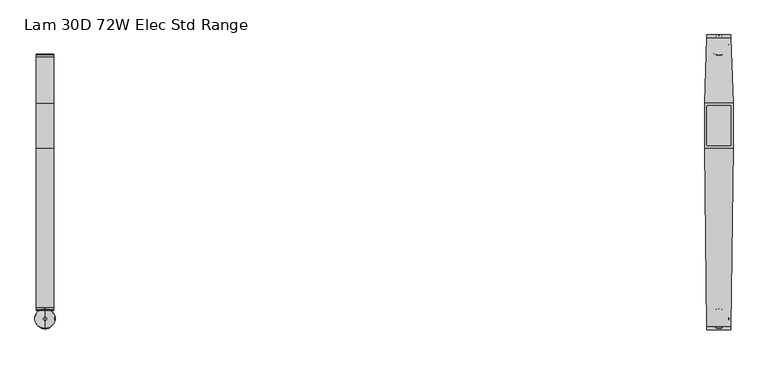
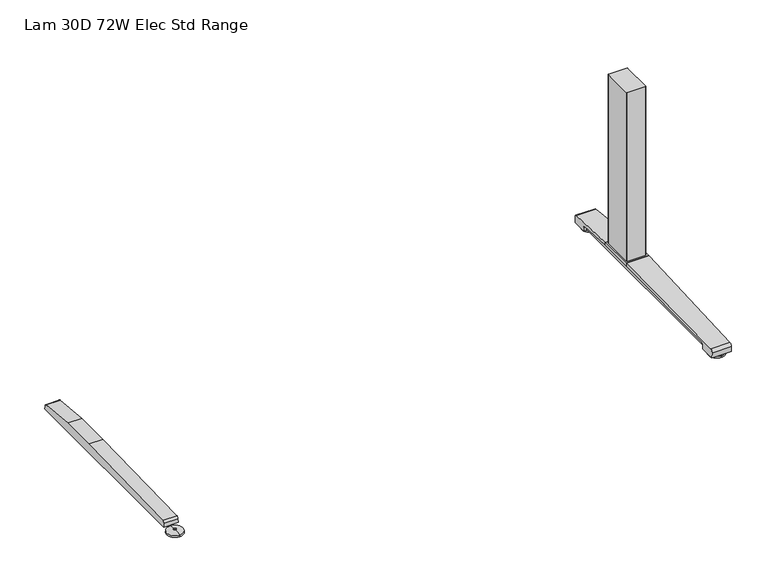
"""IFC4 building model written with IfcOpenShell, lengths in millimetres: furniture geometry, Lam 30D 72W Elec Std Range."""

from ifc_helpers import new_model, si_unit, point, frame, frame_2d, origin, place, context, project, spatial, polyline, circle_curve, ellipse_curve, trimmed, segment, composite_curve, outline, extrude, source, transform, mapped, element, save
from ifc_brep_helpers import plane_surface, cylinder_surface, revolved_surface, advanced_brep


def lam_30d_72w_elec_std_range_380b1c24(model_context):
    return source(origin(), model_context, "Body", "SolidModel", [
        advanced_brep(
        [(-836.676, -364.1643617, 0.0), (-836.676, -313.9743384, 0.0), (-836.676, -339.06935, 0.0), (-836.676, -364.0796512, 5.0038001), (-836.676, -314.0590489, 5.0038001), (-836.676, -343.0698499, 8.4327997), (-836.676, -335.0688501, 8.4327997), (-836.676, -343.0698499, 10.0423733), (-836.676, -335.0688501, 10.0423733), (-836.676, -339.06935, 10.0423733)],
        [
            (0, 1, circle_curve(frame((-836.676, -339.06935, 0.0), z_axis=(0.0, 0.0, -1.0), x_axis=(0.0, 1.0, 0.0)), 25.0950117)),
            (1, 2),
            (2, 0),
            (1, 0, circle_curve(frame((-836.676, -339.06935, 0.0), z_axis=(0.0, 0.0, -1.0), x_axis=(0.0, 1.0, 0.0)), 25.0950117)),
            (3, 4, circle_curve(frame((-836.676, -339.06935, 5.0038001), z_axis=(0.0, 0.0, -1.0), x_axis=(0.0, 1.0, 0.0)), 25.0103012)),
            (4, 1),
            (0, 3),
            (4, 3, circle_curve(frame((-836.676, -339.06935, 5.0038001), z_axis=(0.0, 0.0, -1.0), x_axis=(0.0, 1.0, 0.0)), 25.0103012)),
            (5, 6, circle_curve(frame((-836.676, -339.06935, 8.4327997), z_axis=(0.0, 0.0, -1.0), x_axis=(0.0, 1.0, 0.0)), 4.0004999)),
            (6, 4, circle_curve(frame((-836.676, -335.0368668, -57.4502444), z_axis=(-1.0, 0.0, 0.0), x_axis=(0.0, 1.0, 0.0)), 65.8830518)),
            (3, 5, circle_curve(frame((-836.676, -343.1018333, -57.4502444), z_axis=(-1.0, 0.0, 0.0), x_axis=(0.0, -1.0, 0.0)), 65.8830518)),
            (6, 5, circle_curve(frame((-836.676, -339.06935, 8.4327997), z_axis=(0.0, 0.0, -1.0), x_axis=(0.0, 1.0, 0.0)), 4.0004999)),
            (7, 8, circle_curve(frame((-836.676, -339.06935, 10.0423733), z_axis=(0.0, 0.0, -1.0), x_axis=(0.0, 1.0, 0.0)), 4.0004999)),
            (8, 6),
            (5, 7),
            (8, 7, circle_curve(frame((-836.676, -339.06935, 10.0423733), z_axis=(0.0, 0.0, -1.0), x_axis=(0.0, 1.0, 0.0)), 4.0004999)),
            (9, 8),
            (7, 9),
        ],
        [
            plane_surface(frame((-836.676, -339.06935, 0.0), z_axis=(0.0, 0.0, -1.0), x_axis=(0.0, 1.0, 0.0))),
            revolved_surface(polyline([(-836.676, -313.9743384, 0.0), (-836.676, -314.0590489, 5.0038001)]), (-836.676, -339.06935, 0.0), (0.0, 0.0, 1.0)),
            revolved_surface(trimmed(ellipse_curve(frame((-836.676, -335.0368668, -57.4502444), z_axis=(1.0, 0.0, 0.0), x_axis=(0.0, 1.0, 0.0)), 65.8830518, 65.8830518), [point((-836.676, -314.0590489, 5.0038001))], [point((-836.676, -335.0688501, 8.4327997))], True, "CARTESIAN"), (-836.676, -339.06935, 0.0), (0.0, 0.0, 1.0)),
            cylinder_surface(frame((-836.676, -339.06935, 0.0), z_axis=(0.0, 0.0, 1.0), x_axis=(0.0, 1.0, 0.0)), 4.0004999),
            plane_surface(frame((-836.676, -339.06935, 10.0423733), z_axis=(0.0, 0.0, 1.0), x_axis=(0.0, 1.0, 0.0))),
        ],
        [
            (0, [[1, 2, 3]]),
            (0, [[4, -3, -2]]),
            (1, [[5, 6, -1, 7]]),
            (1, [[8, -7, -4, -6]]),
            (2, [[9, 10, -5, 11]]),
            (2, [[12, -11, -8, -10]]),
            (3, [[13, 14, -9, 15]]),
            (3, [[16, -15, -12, -14]]),
            (4, [[17, -13, 18]]),
            (4, [[-18, -16, -17]]),
        ],
    ),
        extrude(outline(composite_curve([segment(polyline([(317.3152602, 22.833301), (318.3038309, 11.5339019), (-318.3038309, 11.5339019), (-317.3152602, 22.833301)]), True, "CONTINUOUS"), segment(trimmed(circle_curve(frame_2d((-310.4929906, 22.2364289)), 6.8483297), [point((-317.3152602, 22.833301))], [point((-311.3603185, 29.0296138))], False, "CARTESIAN"), True, "CONTINUOUS"), segment(polyline([(-311.3603185, 29.0296138), (84.6231873, 38.9541198), (196.8596127, 38.9541198), (311.3603185, 29.0296138)]), True, "CONTINUOUS"), segment(trimmed(circle_curve(frame_2d((310.4929906, 22.2364289)), 6.8483297), [point((311.3603185, 29.0296138))], [point((317.3152602, 22.833301))], False, "CARTESIAN"), True, "CONTINUOUS")], self_intersect=False)), frame((-858.6724, 0.0, 0.0), z_axis=(1.0, 0.0, 0.0), x_axis=(0.0, 1.0, 0.0)), (0.0, 0.0, 1.0), 43.9928),
        extrude(outline(composite_curve([segment(trimmed(circle_curve(frame_2d((864.2521079, 188.3835079)), 2.3323921), [point((864.2521079, 190.7159))], [point((866.5845, 188.3835079))], False, "CARTESIAN"), True, "CONTINUOUS"), segment(polyline([(866.5845, 188.3835079), (866.5845, 93.0992921)]), True, "CONTINUOUS"), segment(trimmed(circle_curve(frame_2d((864.2521079, 93.0992921)), 2.3323921), [point((866.5845, 93.0992921))], [point((864.2521079, 90.7669))], False, "CARTESIAN"), True, "CONTINUOUS"), segment(polyline([(864.2521079, 90.7669), (809.0998921, 90.7669)]), True, "CONTINUOUS"), segment(trimmed(circle_curve(frame_2d((809.0998921, 93.0992921)), 2.3323921), [point((809.0998921, 90.7669))], [point((806.7675, 93.0992921))], False, "CARTESIAN"), True, "CONTINUOUS"), segment(polyline([(806.7675, 93.0992921), (806.7675, 188.3835079)]), True, "CONTINUOUS"), segment(trimmed(circle_curve(frame_2d((809.0998921, 188.3835079)), 2.3323921), [point((806.7675, 188.3835079))], [point((809.0998921, 190.7159))], False, "CARTESIAN"), True, "CONTINUOUS"), segment(polyline([(809.0998921, 190.7159), (864.2521079, 190.7159)]), True, "CONTINUOUS")], self_intersect=False)), frame((0.0, 0.0, 48.10013), z_axis=(0.0, 0.0, 1.0), x_axis=(1.0, 0.0, 0.0)), (0.0, 0.0, 1.0), 550.9989485),
        advanced_brep(
        [(836.676, 314.8489737, 0.0), (836.676, 365.038997, 0.0), (836.676, 339.9439854, 0.0), (836.676, 314.9336842, 5.0038001), (836.676, 364.9542866, 5.0038001), (836.676, 335.9434855, 8.4327997), (836.676, 343.9444853, 8.4327997), (836.676, 335.9434855, 10.0423733), (836.676, 343.9444853, 10.0423733), (836.676, 339.9439854, 10.0423733)],
        [
            (0, 1, circle_curve(frame((836.676, 339.9439854, 0.0), z_axis=(0.0, 0.0, -1.0), x_axis=(0.0, 1.0, 0.0)), 25.0950117)),
            (1, 2),
            (2, 0),
            (1, 0, circle_curve(frame((836.676, 339.9439854, 0.0), z_axis=(0.0, 0.0, -1.0), x_axis=(0.0, 1.0, 0.0)), 25.0950117)),
            (3, 4, circle_curve(frame((836.676, 339.9439854, 5.0038001), z_axis=(0.0, 0.0, -1.0), x_axis=(0.0, 1.0, 0.0)), 25.0103012)),
            (4, 1),
            (0, 3),
            (4, 3, circle_curve(frame((836.676, 339.9439854, 5.0038001), z_axis=(0.0, 0.0, -1.0), x_axis=(0.0, 1.0, 0.0)), 25.0103012)),
            (5, 6, circle_curve(frame((836.676, 339.9439854, 8.4327997), z_axis=(0.0, 0.0, -1.0), x_axis=(0.0, 1.0, 0.0)), 4.0004999)),
            (6, 4, circle_curve(frame((836.676, 343.9764687, -57.4502444), z_axis=(-1.0, 0.0, 0.0), x_axis=(0.0, 1.0, 0.0)), 65.8830518)),
            (3, 5, circle_curve(frame((836.676, 335.9115021, -57.4502444), z_axis=(-1.0, 0.0, 0.0), x_axis=(0.0, -1.0, 0.0)), 65.8830518)),
            (6, 5, circle_curve(frame((836.676, 339.9439854, 8.4327997), z_axis=(0.0, 0.0, -1.0), x_axis=(0.0, 1.0, 0.0)), 4.0004999)),
            (7, 8, circle_curve(frame((836.676, 339.9439854, 10.0423733), z_axis=(0.0, 0.0, -1.0), x_axis=(0.0, 1.0, 0.0)), 4.0004999)),
            (8, 6),
            (5, 7),
            (8, 7, circle_curve(frame((836.676, 339.9439854, 10.0423733), z_axis=(0.0, 0.0, -1.0), x_axis=(0.0, 1.0, 0.0)), 4.0004999)),
            (9, 8),
            (7, 9),
        ],
        [
            plane_surface(frame((836.676, 339.9439854, 0.0), z_axis=(0.0, 0.0, -1.0), x_axis=(0.0, 1.0, 0.0))),
            revolved_surface(polyline([(836.676, 365.038997, 0.0), (836.676, 364.9542866, 5.0038001)]), (836.676, 339.9439854, 0.0), (0.0, 0.0, 1.0)),
            revolved_surface(trimmed(ellipse_curve(frame((836.676, 343.9764687, -57.4502444), z_axis=(1.0, 0.0, 0.0), x_axis=(0.0, 1.0, 0.0)), 65.8830518, 65.8830518), [point((836.676, 364.9542866, 5.0038001))], [point((836.676, 343.9444853, 8.4327997))], True, "CARTESIAN"), (836.676, 339.9439854, 0.0), (0.0, 0.0, 1.0)),
            cylinder_surface(frame((836.676, 339.9439854, 0.0), z_axis=(0.0, 0.0, 1.0), x_axis=(0.0, 1.0, 0.0)), 4.0004999),
            plane_surface(frame((836.676, 339.9439854, 10.0423733), z_axis=(0.0, 0.0, 1.0), x_axis=(0.0, 1.0, 0.0))),
        ],
        [
            (0, [[1, 2, 3]]),
            (0, [[4, -3, -2]]),
            (1, [[5, 6, -1, 7]]),
            (1, [[8, -7, -4, -6]]),
            (2, [[9, 10, -5, 11]]),
            (2, [[12, -11, -8, -10]]),
            (3, [[13, 14, -9, 15]]),
            (3, [[16, -15, -12, -14]]),
            (4, [[17, -13, 18]]),
            (4, [[-18, -16, -17]]),
        ],
    ),
        advanced_brep(
        [(836.676, -364.1643617, 0.0), (836.676, -313.9743384, 0.0), (836.676, -339.06935, 0.0), (836.676, -364.0796512, 5.0038001), (836.676, -314.0590489, 5.0038001), (836.676, -343.0698499, 8.4327997), (836.676, -335.0688501, 8.4327997), (836.676, -343.0698499, 10.0423733), (836.676, -335.0688501, 10.0423733), (836.676, -339.06935, 10.0423733)],
        [
            (0, 1, circle_curve(frame((836.676, -339.06935, 0.0), z_axis=(0.0, 0.0, -1.0), x_axis=(0.0, 1.0, 0.0)), 25.0950117)),
            (1, 2),
            (2, 0),
            (1, 0, circle_curve(frame((836.676, -339.06935, 0.0), z_axis=(0.0, 0.0, -1.0), x_axis=(0.0, 1.0, 0.0)), 25.0950117)),
            (3, 4, circle_curve(frame((836.676, -339.06935, 5.0038001), z_axis=(0.0, 0.0, -1.0), x_axis=(0.0, 1.0, 0.0)), 25.0103012)),
            (4, 1),
            (0, 3),
            (4, 3, circle_curve(frame((836.676, -339.06935, 5.0038001), z_axis=(0.0, 0.0, -1.0), x_axis=(0.0, 1.0, 0.0)), 25.0103012)),
            (5, 6, circle_curve(frame((836.676, -339.06935, 8.4327997), z_axis=(0.0, 0.0, -1.0), x_axis=(0.0, 1.0, 0.0)), 4.0004999)),
            (6, 4, circle_curve(frame((836.676, -335.0368668, -57.4502444), z_axis=(-1.0, 0.0, 0.0), x_axis=(0.0, 1.0, 0.0)), 65.8830518)),
            (3, 5, circle_curve(frame((836.676, -343.1018333, -57.4502444), z_axis=(-1.0, 0.0, 0.0), x_axis=(0.0, -1.0, 0.0)), 65.8830518)),
            (6, 5, circle_curve(frame((836.676, -339.06935, 8.4327997), z_axis=(0.0, 0.0, -1.0), x_axis=(0.0, 1.0, 0.0)), 4.0004999)),
            (7, 8, circle_curve(frame((836.676, -339.06935, 10.0423733), z_axis=(0.0, 0.0, -1.0), x_axis=(0.0, 1.0, 0.0)), 4.0004999)),
            (8, 6),
            (5, 7),
            (8, 7, circle_curve(frame((836.676, -339.06935, 10.0423733), z_axis=(0.0, 0.0, -1.0), x_axis=(0.0, 1.0, 0.0)), 4.0004999)),
            (9, 8),
            (7, 9),
        ],
        [
            plane_surface(frame((836.676, -339.06935, 0.0), z_axis=(0.0, 0.0, -1.0), x_axis=(0.0, 1.0, 0.0))),
            revolved_surface(polyline([(836.676, -313.9743384, 0.0), (836.676, -314.0590489, 5.0038001)]), (836.676, -339.06935, 0.0), (0.0, 0.0, 1.0)),
            revolved_surface(trimmed(ellipse_curve(frame((836.676, -335.0368668, -57.4502444), z_axis=(1.0, 0.0, 0.0), x_axis=(0.0, 1.0, 0.0)), 65.8830518, 65.8830518), [point((836.676, -314.0590489, 5.0038001))], [point((836.676, -335.0688501, 8.4327997))], True, "CARTESIAN"), (836.676, -339.06935, 0.0), (0.0, 0.0, 1.0)),
            cylinder_surface(frame((836.676, -339.06935, 0.0), z_axis=(0.0, 0.0, 1.0), x_axis=(0.0, 1.0, 0.0)), 4.0004999),
            plane_surface(frame((836.676, -339.06935, 10.0423733), z_axis=(0.0, 0.0, 1.0), x_axis=(0.0, 1.0, 0.0))),
        ],
        [
            (0, [[1, 2, 3]]),
            (0, [[4, -3, -2]]),
            (1, [[5, 6, -1, 7]]),
            (1, [[8, -7, -4, -6]]),
            (2, [[9, 10, -5, 11]]),
            (2, [[12, -11, -8, -10]]),
            (3, [[13, 14, -9, 15]]),
            (3, [[16, -15, -12, -14]]),
            (4, [[17, -13, 18]]),
            (4, [[-18, -16, -17]]),
        ],
    ),
        extrude(outline(polyline([(871.8068382, 196.8596127), (871.8068382, 84.6231873), (801.5451618, 84.6231873), (801.5451618, 196.8596127), (871.8068382, 196.8596127)])), frame((0.0, 0.0, 38.9541198), z_axis=(0.0, 0.0, 1.0), x_axis=(1.0, 0.0, 0.0)), (0.0, 0.0, 1.0), 9.1460102),
        advanced_brep(
        [(866.3735496, 366.395, 26.8186), (866.613509, 358.907527, 35.7787117), (871.8068382, 196.8596127, 48.10013), (871.8068382, 196.8596127, 38.9541198), (868.1373071, 311.3603185, 29.0296138), (867.9464625, 317.3152602, 22.833301), (867.9106016, 318.4342309, 10.0434261), (866.4198676, 364.9497362, 10.041053), (806.738849, 358.907527, 35.7787117), (806.9788083, 366.395, 26.8186), (806.9324903, 364.9497362, 10.041053), (805.4417563, 318.4342309, 10.0434261), (805.4058954, 317.3152602, 22.833301), (805.2150508, 311.3603185, 29.0296138), (801.5455193, 196.8596013, 38.9541208), (801.5455197, 196.8596127, 48.10013)],
        [
            (0, 1, ellipse_curve(frame((866.6380766, 358.1409412, 27.5296273), z_axis=(0.9994868545941118, 0.03203166392132806, 0.0), x_axis=(0.032031663921324206, -0.9994868545941118, 0.0)), 8.2888806, 8.2846272)),
            (1, 2, ellipse_curve(frame((921.7365776, -1361.1024809, -21513.5555312), z_axis=(0.9994868545941118, 0.03203166392132806, 0.0), x_axis=(0.032031663921324206, -0.9994868545941118, 0.0)), 21628.9673574, 21617.8685521)),
            (2, 3),
            (3, 4),
            (4, 5, ellipse_curve(frame((868.1651033, 310.4929906, 22.2364289), z_axis=(-0.9994868545941118, -0.03203166392132806, 0.0), x_axis=(-0.032031663921324206, 0.9994868545941118, 0.0)), 6.8518456, 6.8483297)),
            (5, 6),
            (6, 7),
            (7, 0),
            (8, 9, ellipse_curve(frame((806.7142813, 358.1409412, 27.5296273), z_axis=(-0.9994868545941165, 0.03203166392118384, 0.0), x_axis=(0.032031663921180474, 0.9994868545941163, 0.0)), 8.2888806, 8.2846272)),
            (9, 10),
            (10, 11),
            (11, 12),
            (12, 13, ellipse_curve(frame((805.1872546, 310.4929906, 22.2364289), z_axis=(0.9994868545941165, -0.03203166392118384, 0.0), x_axis=(-0.032031663921180474, -0.9994868545941163, 0.0)), 6.8518456, 6.8483297)),
            (13, 14),
            (14, 15),
            (15, 8, ellipse_curve(frame((751.6157803, -1361.1024809, -21513.5555312), z_axis=(-0.9994868545941165, 0.03203166392118384, 0.0), x_axis=(0.032031663921180474, 0.9994868545941163, 0.0)), 21628.9673574, 21617.8685521)),
            (0, 9),
            (8, 1),
            (7, 10),
            (6, 11),
            (5, 12),
            (4, 13),
            (3, 14),
            (2, 15),
        ],
        [
            plane_surface(frame((866.3226732, 367.9825, 48.10013), z_axis=(0.9994868545941118, 0.03203166392132806, 0.0), x_axis=(0.0, 0.0, -1.0))),
            plane_surface(frame((801.5455197, 196.8596127, 48.10013), z_axis=(-0.9994868545941165, 0.03203166392118384, 0.0), x_axis=(0.0, 0.0, -1.0))),
            cylinder_surface(frame((801.5451618, 358.1409412, 27.5296273), z_axis=(1.0, 0.0, 0.0), x_axis=(0.0, 1.0, 0.0)), 8.2846272),
            plane_surface(frame((871.8068382, 364.9497362, 10.041053), z_axis=(0.0, 0.9963102368703288, -0.08582489095471861), x_axis=(-1.0, 0.0, 0.0))),
            plane_surface(frame((871.8068382, 318.4342309, 10.0434261), z_axis=(0.0, -5.1017984192696555e-05, -0.9999999986985827), x_axis=(-1.0, 0.0, 0.0))),
            plane_surface(frame((871.8068382, 317.3152602, 22.833301), z_axis=(0.0, -0.9961946873837872, -0.0871558651400954), x_axis=(-1.0, 0.0, 0.0))),
            revolved_surface(polyline([(804.9677785845009, 317.3413203, 22.2364289), (868.3845793155001, 317.3413203, 22.2364289)]), (801.5451618, 310.4929906, 22.2364289), (-1.0, 0.0, 0.0)),
            plane_surface(frame((871.8068382, 196.8596127, 38.9541198), z_axis=(0.0, -0.08635260649839666, -0.9962646372078722), x_axis=(-1.0, 0.0, 0.0))),
            plane_surface(frame((871.8068382, 196.8596127, 48.10013), z_axis=(0.0, -1.0, 0.0), x_axis=(-1.0, 0.0, 0.0))),
            cylinder_surface(frame((801.5451618, -1361.1024809, -21513.5555312), z_axis=(1.0, 0.0, 0.0), x_axis=(0.0, 1.0, 0.0)), 21617.8685521),
        ],
        [
            (0, [[1, 2, 3, 4, 5, 6, 7, 8]]),
            (1, [[9, 10, 11, 12, 13, 14, 15, 16]]),
            (2, [[17, -9, 18, -1]]),
            (3, [[-17, -8, 19, -10]]),
            (4, [[-19, -7, 20, -11]]),
            (5, [[-20, -6, 21, -12]]),
            (6, [[-21, -5, 22, -13]]),
            (7, [[23, -14, -22, -4]]),
            (8, [[-23, -3, 24, -15]]),
            (9, [[-24, -2, -18, -16]]),
        ],
    ),
        extrude(outline(composite_curve([segment(polyline([(317.3152602, 22.833301), (318.3038309, 11.5339019), (-318.3038309, 11.5339019), (-317.3152602, 22.833301)]), True, "CONTINUOUS"), segment(trimmed(circle_curve(frame_2d((-310.4929906, 22.2364289)), 6.8483297), [point((-317.3152602, 22.833301))], [point((-311.3603185, 29.0296138))], False, "CARTESIAN"), True, "CONTINUOUS"), segment(polyline([(-311.3603185, 29.0296138), (84.6231873, 38.9541198), (196.8596127, 38.9541198), (311.3603185, 29.0296138)]), True, "CONTINUOUS"), segment(trimmed(circle_curve(frame_2d((310.4929906, 22.2364289)), 6.8483297), [point((311.3603185, 29.0296138))], [point((317.3152602, 22.833301))], False, "CARTESIAN"), True, "CONTINUOUS")], self_intersect=False)), frame((814.6796, 0.0, 0.0), z_axis=(1.0, 0.0, 0.0), x_axis=(0.0, 1.0, 0.0)), (0.0, 0.0, 1.0), 43.9928),
        advanced_brep(
        [(866.4326335, -358.907527, 35.7787117), (806.9197244, -358.907527, 35.7787117), (807.0104491, -366.395, 26.8186), (866.3419088, -366.395, 26.8186), (806.9929371, -364.9497362, 10.041053), (866.3594208, -364.9497362, 10.041053), (806.4293147, -318.4342309, 10.0434261), (866.9230432, -318.4342309, 10.0434261), (806.4157562, -317.3152602, 22.833301), (866.9366017, -317.3152602, 22.833301), (806.343601, -311.3603185, 29.0296138), (867.0087569, -311.3603185, 29.0296138), (801.5451618, 84.6231873, 38.9541198), (871.8068382, 84.6231873, 38.9541198), (801.5455197, 84.6231873, 48.10013), (871.8068382, 84.6231873, 48.10013)],
        [
            (0, 1),
            (1, 2, ellipse_curve(frame((806.9104358, -358.1409412, 27.5296273), z_axis=(0.9999265987939379, 0.012115982188308264, 0.0), x_axis=(0.01211598218829372, -0.9999265987939379, 0.0)), 8.2852353, 8.2846272)),
            (2, 3),
            (3, 0, ellipse_curve(frame((866.4419221, -358.1409412, 27.5296273), z_axis=(-0.999926598793938, 0.01211598218829279, 0.0), x_axis=(0.012115982188294067, 0.9999265987939379, 0.0)), 8.2852353, 8.2846272)),
            (2, 4),
            (4, 5),
            (5, 3),
            (4, 6),
            (6, 7),
            (7, 5),
            (6, 8),
            (8, 9),
            (9, 7),
            (8, 10, ellipse_curve(frame((806.3330917, -310.4929906, 22.2364289), z_axis=(-0.9999265987939379, -0.012115982188308264, 0.0), x_axis=(-0.01211598218829372, 0.9999265987939379, 0.0)), 6.8488324, 6.8483297)),
            (10, 11),
            (11, 9, ellipse_curve(frame((867.0192662, -310.4929906, 22.2364289), z_axis=(0.999926598793938, -0.01211598218829279, 0.0), x_axis=(-0.012115982188294067, -0.9999265987939379, 0.0)), 6.8488324, 6.8483297)),
            (12, 13),
            (13, 11),
            (10, 12),
            (12, 14),
            (14, 15),
            (15, 13),
            (15, 0, ellipse_curve(frame((887.2737739, 1361.1024809, -53889.962004), z_axis=(0.999926598793938, -0.01211598218829279, 0.0), x_axis=(0.012115982188294067, 0.9999265987939379, 0.0)), 53957.1248938, 53953.1643758)),
            (1, 14, ellipse_curve(frame((786.078584, 1361.1024809, -53889.962004), z_axis=(-0.9999265987939379, -0.012115982188308264, 0.0), x_axis=(0.01211598218829372, -0.9999265987939379, 0.0)), 53957.1248938, 53953.1643758)),
        ],
        [
            cylinder_surface(frame((801.5451618, -358.1409412, 27.5296273), z_axis=(1.0, 0.0, 0.0), x_axis=(0.0, 1.0, 0.0)), 8.2846272),
            plane_surface(frame((871.8068382, -366.395, 26.8186), z_axis=(0.0, -0.9963102368705485, -0.0858248909521675), x_axis=(-1.0, 0.0, 0.0))),
            plane_surface(frame((871.8068382, -364.9497362, 10.041053), z_axis=(0.0, 5.101798391284063e-05, -0.9999999986985827), x_axis=(-1.0, 0.0, 0.0))),
            plane_surface(frame((871.8068382, -318.4342309, 10.0434261), z_axis=(0.0, 0.9961946873837972, -0.08715586513998141), x_axis=(-1.0, 0.0, 0.0))),
            revolved_surface(polyline([(806.250111368631, -303.64466089999996, 22.2364289), (867.102246531369, -303.64466089999996, 22.2364289)]), (801.5451618, -310.4929906, 22.2364289), (-1.0, 0.0, 0.0)),
            plane_surface(frame((871.8068382, -311.3603185, 29.0296138), z_axis=(0.0, 0.025055059879514837, -0.999686072712046), x_axis=(-1.0, 0.0, 0.0))),
            plane_surface(frame((871.8068382, 84.6231873, 38.9541198), z_axis=(0.0, 1.0, 0.0), x_axis=(-1.0, 0.0, 0.0))),
            plane_surface(frame((871.8068382, 84.6231873, 48.10013), z_axis=(0.999926598793938, -0.01211598218829279, 0.0), x_axis=(0.0, 0.0, -1.0))),
            plane_surface(frame((807.0296847, -367.9825, 48.10013), z_axis=(-0.9999265987939379, -0.012115982188308264, 0.0), x_axis=(0.0, 0.0, -1.0))),
            cylinder_surface(frame((801.5451618, 1361.1024809, -53889.962004), z_axis=(1.0, 0.0, 0.0), x_axis=(0.0, 1.0, 0.0)), 53953.1643758),
        ],
        [
            (0, [[1, 2, 3, 4]]),
            (1, [[-3, 5, 6, 7]]),
            (2, [[-6, 8, 9, 10]]),
            (3, [[-9, 11, 12, 13]]),
            (4, [[-12, 14, 15, 16]]),
            (5, [[17, 18, -15, 19]]),
            (6, [[-17, 20, 21, 22]]),
            (7, [[-4, -7, -10, -13, -16, -18, -22, 23]]),
            (8, [[-2, 24, -20, -19, -14, -11, -8, -5]]),
            (9, [[-21, -24, -1, -23]]),
        ],
    ),
    ])


if __name__ == "__main__":
    model = new_model("IFC4")
    model_context = context("Model", 3, world=origin())
    ifc_project = project(units=[si_unit("LENGTHUNIT", "METRE", prefix="MILLI")], contexts=[model_context])
    site = spatial("IfcSite", under=ifc_project)
    building = spatial("IfcBuilding", under=site)
    placement = place(None, origin())
    lam_30d_72w_elec_std_range_shape = lam_30d_72w_elec_std_range_380b1c24(model_context)
    element("IfcFurniture", 1, ObjectType="Lam 30D 72W Elec Std Range", at=placement, inside=building, context=model_context, shape_type="MappedRepresentation", body=[
        mapped(lam_30d_72w_elec_std_range_shape, transform((0.0, 0.0, 0.0), x_axis=(1.0, 0.0, 0.0), y_axis=(0.0, 1.0, 0.0), z_axis=(0.0, 0.0, 1.0))),
    ])
    save(model, "model.ifc")
